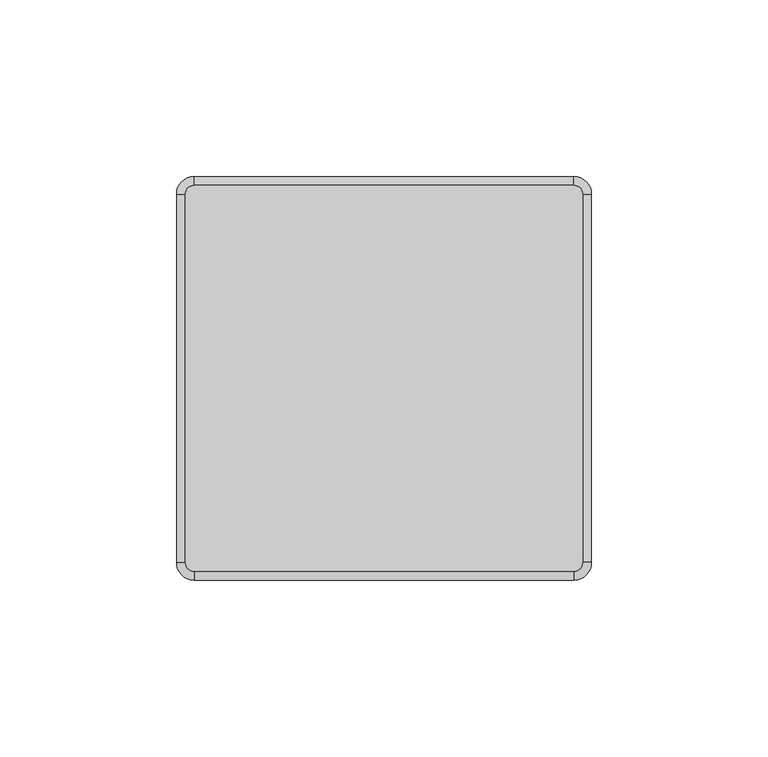
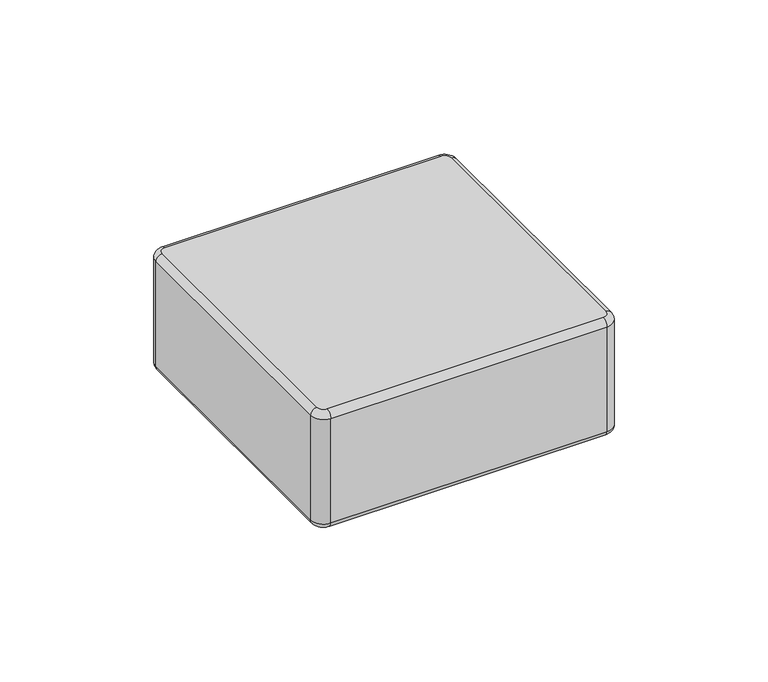
"""IFC4 building model written with IfcOpenShell, lengths in millimetres: plate geometry."""

from ifc_helpers import new_model, si_unit, point, frame, origin, place, context, project, spatial, circle_curve, ellipse_curve, trimmed, source, transform, mapped, element, save
from ifc_brep_helpers import plane_surface, cylinder_surface, revolved_surface, advanced_brep


def plate_b7328151(model_context):
    return source(origin(), model_context, "Body", "AdvancedBrep", [
        advanced_brep(
        [(56.2229808, 52.15, 48.0), (53.7229808, 54.65, 48.0), (-53.7770192, 54.65, 48.0), (-56.2770192, 52.15, 48.0), (-56.2770192, -52.15, 48.0), (-53.7770192, -54.65, 48.0), (53.7229808, -54.65, 48.0), (56.2229808, -52.15, 48.0), (-56.2770192, 52.15, 0.0), (-53.7770192, 54.65, 0.0), (53.7229808, 54.65, 0.0), (56.2229808, 52.15, 0.0), (56.2229808, -52.15, 0.0), (53.7229808, -54.65, 0.0), (-53.7770192, -54.65, 0.0), (-56.2770192, -52.15, 0.0), (-53.7770192, -57.15, 2.5), (53.7229808, -57.15, 2.5), (53.7229808, -57.15, 45.5), (-53.7770192, -57.15, 45.5), (58.7229808, -52.15, 2.5), (58.7229808, 52.15, 2.5), (58.7229808, 52.15, 45.5000019), (58.7229808, -52.15, 45.5), (53.7229808, 57.15, 2.5), (-53.7770192, 57.15, 2.5), (-53.7770192, 57.15, 45.5), (53.7229808, 57.15, 45.5), (-58.7770192, 52.15, 2.5), (-58.7770192, -52.15, 2.5), (-58.7770192, -52.15, 45.5), (-58.7770192, 52.15, 45.5)],
        [
            (0, 1, circle_curve(frame((53.7229808, 52.15, 48.0), z_axis=(0.0, 0.0, 1.0), x_axis=(1.0, 0.0, 0.0)), 2.5)),
            (1, 2),
            (2, 3, circle_curve(frame((-53.7770192, 52.15, 48.0), z_axis=(0.0, 0.0, 1.0), x_axis=(0.0, 1.0, 0.0)), 2.5)),
            (3, 4),
            (4, 5, circle_curve(frame((-53.7770192, -52.15, 48.0), z_axis=(0.0, 0.0, 1.0), x_axis=(-1.0, 0.0, 0.0)), 2.5)),
            (5, 6),
            (6, 7, circle_curve(frame((53.7229808, -52.15, 48.0), z_axis=(0.0, 0.0, 1.0), x_axis=(0.0, -1.0, 0.0)), 2.5)),
            (7, 0),
            (8, 9, circle_curve(frame((-53.7770192, 52.15, 0.0), z_axis=(0.0, 0.0, -1.0), x_axis=(-1.0, 0.0, 0.0)), 2.5)),
            (9, 10),
            (10, 11, circle_curve(frame((53.7229808, 52.15, 0.0), z_axis=(0.0, 0.0, -1.0), x_axis=(0.0, 1.0, 0.0)), 2.5)),
            (11, 12),
            (12, 13, circle_curve(frame((53.7229808, -52.15, 0.0), z_axis=(0.0, 0.0, -1.0), x_axis=(1.0, 0.0, 0.0)), 2.5)),
            (13, 14),
            (14, 15, circle_curve(frame((-53.7770192, -52.15, 0.0), z_axis=(0.0, 0.0, -1.0), x_axis=(0.0, -1.0, 0.0)), 2.5)),
            (15, 8),
            (16, 17),
            (17, 18),
            (18, 19),
            (19, 16),
            (20, 21),
            (21, 22),
            (22, 23),
            (23, 20),
            (24, 25),
            (25, 26),
            (26, 27),
            (27, 24),
            (28, 29),
            (29, 30),
            (30, 31),
            (31, 28),
            (29, 16, circle_curve(frame((-53.7770192, -52.15, 2.5), z_axis=(0.0, 0.0, 1.0), x_axis=(1.0, 0.0, 0.0)), 5.0)),
            (19, 30, circle_curve(frame((-53.7770192, -52.15, 45.5), z_axis=(0.0, 0.0, -1.0), x_axis=(1.0, 0.0, 0.0)), 5.0)),
            (17, 20, circle_curve(frame((53.7229808, -52.15, 2.5), z_axis=(0.0, 0.0, 1.0), x_axis=(1.0, 0.0, 0.0)), 5.0)),
            (23, 18, circle_curve(frame((53.7229808, -52.15, 45.5), z_axis=(0.0, 0.0, -1.0), x_axis=(1.0, 0.0, 0.0)), 5.0)),
            (21, 24, circle_curve(frame((53.7229808, 52.15, 2.5), z_axis=(0.0, 0.0, 1.0), x_axis=(1.0, 0.0, 0.0)), 5.0)),
            (27, 22, circle_curve(frame((53.7229808, 52.15, 45.5), z_axis=(0.0, 0.0, -1.0), x_axis=(1.0, 0.0, 0.0)), 5.0)),
            (25, 28, circle_curve(frame((-53.7770192, 52.15, 2.5), z_axis=(0.0, 0.0, 1.0), x_axis=(1.0, 0.0, 0.0)), 5.0)),
            (31, 26, circle_curve(frame((-53.7770192, 52.15, 45.5), z_axis=(0.0, 0.0, -1.0), x_axis=(1.0, 0.0, 0.0)), 5.0)),
            (25, 9, circle_curve(frame((-53.7770192, 54.65, 2.5), z_axis=(-1.0, 0.0, 0.0), x_axis=(0.0, -1.0, 0.0)), 2.5)),
            (8, 28, circle_curve(frame((-56.2770192, 52.15, 2.5), z_axis=(0.0, 1.0, 0.0), x_axis=(1.0, 0.0, 0.0)), 2.5)),
            (24, 10, circle_curve(frame((53.7229808, 54.65, 2.5), z_axis=(-1.0, 0.0, 0.0), x_axis=(0.0, -1.0, 0.0)), 2.5)),
            (21, 11, circle_curve(frame((56.2229808, 52.15, 2.5), z_axis=(0.0, 1.0, 0.0), x_axis=(-1.0, 0.0, 0.0)), 2.5)),
            (20, 12, circle_curve(frame((56.2229808, -52.15, 2.5), z_axis=(0.0, 1.0, 0.0), x_axis=(-1.0, 0.0, 0.0)), 2.5)),
            (17, 13, circle_curve(frame((53.7229808, -54.65, 2.5), z_axis=(1.0, 0.0, 0.0), x_axis=(0.0, 1.0, 0.0)), 2.5)),
            (16, 14, circle_curve(frame((-53.7770192, -54.65, 2.5), z_axis=(1.0, 0.0, 0.0), x_axis=(0.0, 1.0, 0.0)), 2.5)),
            (29, 15, circle_curve(frame((-56.2770192, -52.15, 2.5), z_axis=(0.0, -1.0, 0.0), x_axis=(1.0, 0.0, 0.0)), 2.5)),
            (27, 1, circle_curve(frame((53.7229808, 54.65, 45.5), z_axis=(1.0, 0.0, 0.0), x_axis=(0.0, -1.0, 0.0)), 2.5)),
            (0, 22, circle_curve(frame((56.2229808, 52.15, 45.5), z_axis=(0.0, 1.0, 0.0), x_axis=(-1.0, 0.0, 0.0)), 2.5)),
            (26, 2, circle_curve(frame((-53.7770192, 54.65, 45.5), z_axis=(1.0, 0.0, 0.0), x_axis=(0.0, -1.0, 0.0)), 2.5)),
            (31, 3, circle_curve(frame((-56.2770192, 52.15, 45.5), z_axis=(0.0, 1.0, 0.0), x_axis=(1.0, 0.0, 0.0)), 2.5)),
            (30, 4, circle_curve(frame((-56.2770192, -52.15, 45.5), z_axis=(0.0, 1.0, 0.0), x_axis=(1.0, 0.0, 0.0)), 2.5)),
            (19, 5, circle_curve(frame((-53.7770192, -54.65, 45.5), z_axis=(-1.0, 0.0, 0.0), x_axis=(0.0, 1.0, 0.0)), 2.5)),
            (18, 6, circle_curve(frame((53.7229808, -54.65, 45.5), z_axis=(-1.0, 0.0, 0.0), x_axis=(0.0, 1.0, 0.0)), 2.5)),
            (23, 7, circle_curve(frame((56.2229808, -52.15, 45.5), z_axis=(0.0, -1.0, 0.0), x_axis=(-1.0, 0.0, 0.0)), 2.5)),
        ],
        [
            plane_surface(frame((-48.7770192, -52.15, 48.0), z_axis=(0.0, 0.0, 1.0), x_axis=(0.0, 1.0, 0.0))),
            plane_surface(frame((-48.7770192, -52.15, 0.0), z_axis=(0.0, 0.0, -1.0), x_axis=(0.0, -1.0, 0.0))),
            plane_surface(frame((-53.7770192, -57.15, 48.0), z_axis=(0.0, -1.0, 0.0), x_axis=(0.0, 0.0, -1.0))),
            plane_surface(frame((58.7229808, -52.15, 48.0), z_axis=(1.0, 0.0, 0.0), x_axis=(0.0, 0.0, -1.0))),
            plane_surface(frame((53.7229808, 57.15, 48.0), z_axis=(0.0, 1.0, 0.0), x_axis=(0.0, 0.0, -1.0))),
            plane_surface(frame((-58.7770192, 52.15, 48.0), z_axis=(-1.0, 0.0, 0.0), x_axis=(0.0, 0.0, -1.0))),
            cylinder_surface(frame((-53.7770192, -52.15, 0.0), z_axis=(0.0, 0.0, 1.0), x_axis=(1.0, 0.0, 0.0)), 5.0),
            cylinder_surface(frame((53.7229808, -52.15, 0.0), z_axis=(0.0, 0.0, 1.0), x_axis=(1.0, 0.0, 0.0)), 5.0),
            cylinder_surface(frame((53.7229808, 52.15, 0.0), z_axis=(0.0, 0.0, 1.0), x_axis=(1.0, 0.0, 0.0)), 5.0),
            cylinder_surface(frame((-53.7770192, 52.15, 0.0), z_axis=(0.0, 0.0, 1.0), x_axis=(1.0, 0.0, 0.0)), 5.0),
            revolved_surface(trimmed(ellipse_curve(frame((-56.2770192, 52.15, 2.5), z_axis=(0.0, -1.0, 0.0), x_axis=(1.0, 0.0, 0.0)), 2.5, 2.5), [point((-58.7770192, 52.15, 2.5))], [point((-56.2770192, 52.15, 0.0))], True, "CARTESIAN"), (-53.7770192, 52.15, 0.0), (0.0, 0.0, -1.0)),
            cylinder_surface(frame((-53.7770192, 54.65, 2.5), z_axis=(1.0, 0.0, 0.0), x_axis=(0.0, -1.0, 0.0)), 2.5),
            revolved_surface(trimmed(ellipse_curve(frame((53.7229808, 54.65, 2.5), z_axis=(-1.0, 0.0, 0.0), x_axis=(0.0, -1.0, 0.0)), 2.5, 2.5), [point((53.7229808, 57.15, 2.5))], [point((53.7229808, 54.65, 0.0))], True, "CARTESIAN"), (53.7229808, 52.15, 0.0), (0.0, 0.0, -1.0)),
            cylinder_surface(frame((56.2229808, 52.15, 2.5), z_axis=(0.0, -1.0, 0.0), x_axis=(-1.0, 0.0, 0.0)), 2.5),
            revolved_surface(trimmed(ellipse_curve(frame((56.2229808, -52.15, 2.5), z_axis=(0.0, 1.0, 0.0), x_axis=(-1.0, 0.0, 0.0)), 2.5, 2.5), [point((58.7229808, -52.15, 2.5))], [point((56.2229808, -52.15, 0.0))], True, "CARTESIAN"), (53.7229808, -52.15, 0.0), (0.0, 0.0, -1.0)),
            cylinder_surface(frame((53.7229808, -54.65, 2.5), z_axis=(-1.0, 0.0, 0.0), x_axis=(0.0, 1.0, 0.0)), 2.5),
            revolved_surface(trimmed(ellipse_curve(frame((-53.7770192, -54.65, 2.5), z_axis=(1.0, 0.0, 0.0), x_axis=(0.0, 1.0, 0.0)), 2.5, 2.5), [point((-53.7770192, -57.15, 2.5))], [point((-53.7770192, -54.65, 0.0))], True, "CARTESIAN"), (-53.7770192, -52.15, 0.0), (0.0, 0.0, -1.0)),
            cylinder_surface(frame((-56.2770192, -52.15, 2.5), z_axis=(0.0, 1.0, 0.0), x_axis=(1.0, 0.0, 0.0)), 2.5),
            revolved_surface(trimmed(ellipse_curve(frame((56.2229808, 52.15, 45.5), z_axis=(0.0, -1.0, 0.0), x_axis=(-1.0, 0.0, 0.0)), 2.5, 2.5), [point((58.7229808, 52.15, 45.5))], [point((56.2229808, 52.15, 48.0))], True, "CARTESIAN"), (53.7229808, 52.15, 48.0), (0.0, 0.0, 1.0)),
            cylinder_surface(frame((53.7229808, 54.65, 45.5), z_axis=(-1.0, 0.0, 0.0), x_axis=(0.0, -1.0, 0.0)), 2.5),
            revolved_surface(trimmed(ellipse_curve(frame((-53.7770192, 54.65, 45.5), z_axis=(1.0, 0.0, 0.0), x_axis=(0.0, -1.0, 0.0)), 2.5, 2.5), [point((-53.7770192, 57.15, 45.5))], [point((-53.7770192, 54.65, 48.0))], True, "CARTESIAN"), (-53.7770192, 52.15, 48.0), (0.0, 0.0, 1.0)),
            cylinder_surface(frame((-56.2770192, 52.15, 45.5), z_axis=(0.0, -1.0, 0.0), x_axis=(1.0, 0.0, 0.0)), 2.5),
            revolved_surface(trimmed(ellipse_curve(frame((-56.2770192, -52.15, 45.5), z_axis=(0.0, 1.0, 0.0), x_axis=(1.0, 0.0, 0.0)), 2.5, 2.5), [point((-58.7770192, -52.15, 45.5))], [point((-56.2770192, -52.15, 48.0))], True, "CARTESIAN"), (-53.7770192, -52.15, 48.0), (0.0, 0.0, 1.0)),
            cylinder_surface(frame((-53.7770192, -54.65, 45.5), z_axis=(1.0, 0.0, 0.0), x_axis=(0.0, 1.0, 0.0)), 2.5),
            revolved_surface(trimmed(ellipse_curve(frame((53.7229808, -54.65, 45.5), z_axis=(-1.0, 0.0, 0.0), x_axis=(0.0, 1.0, 0.0)), 2.5, 2.5), [point((53.7229808, -57.15, 45.5))], [point((53.7229808, -54.65, 48.0))], True, "CARTESIAN"), (53.7229808, -52.15, 48.0), (0.0, 0.0, 1.0)),
            cylinder_surface(frame((56.2229808, -52.15, 45.5), z_axis=(0.0, 1.0, 0.0), x_axis=(-1.0, 0.0, 0.0)), 2.5),
        ],
        [
            (0, [[1, 2, 3, 4, 5, 6, 7, 8]]),
            (1, [[9, 10, 11, 12, 13, 14, 15, 16]]),
            (2, [[17, 18, 19, 20]]),
            (3, [[21, 22, 23, 24]]),
            (4, [[25, 26, 27, 28]]),
            (5, [[29, 30, 31, 32]]),
            (6, [[33, -20, 34, -30]]),
            (7, [[35, -24, 36, -18]]),
            (8, [[37, -28, 38, -22]]),
            (9, [[39, -32, 40, -26]]),
            (10, [[41, -9, 42, -39]]),
            (11, [[-41, -25, 43, -10]]),
            (12, [[-43, -37, 44, -11]]),
            (13, [[-44, -21, 45, -12]]),
            (14, [[-45, -35, 46, -13]]),
            (15, [[-46, -17, 47, -14]]),
            (16, [[-47, -33, 48, -15]]),
            (17, [[-42, -16, -48, -29]]),
            (18, [[49, -1, 50, -38]]),
            (19, [[-49, -27, 51, -2]]),
            (20, [[-51, -40, 52, -3]]),
            (21, [[-52, -31, 53, -4]]),
            (22, [[-53, -34, 54, -5]]),
            (23, [[-54, -19, 55, -6]]),
            (24, [[-55, -36, 56, -7]]),
            (25, [[-50, -8, -56, -23]]),
        ],
    ),
    ])


if __name__ == "__main__":
    model = new_model("IFC4")
    model_context = context("Model", 3, world=origin())
    ifc_project = project(units=[si_unit("LENGTHUNIT", "METRE", prefix="MILLI")], contexts=[model_context])
    site = spatial("IfcSite", under=ifc_project)
    building = spatial("IfcBuilding", under=site)
    placement = place(None, origin())
    plate_shape = plate_b7328151(model_context)
    element("IfcPlate", 1, at=placement, inside=building, context=model_context, shape_type="MappedRepresentation", body=[
        mapped(plate_shape, transform((0.0, 0.0, 0.0), x_axis=(1.0, 0.0, 0.0), y_axis=(0.0, 1.0, 0.0), z_axis=(0.0, 0.0, 1.0))),
    ])
    save(model, "model.ifc")
